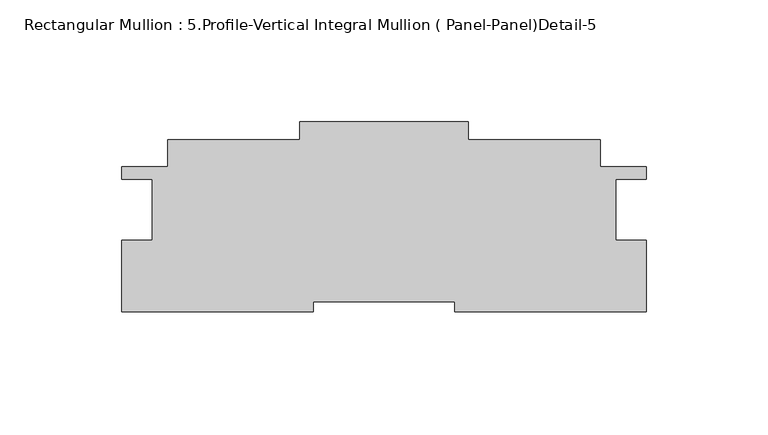
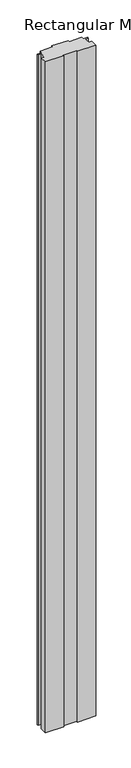
"""IFC4 building model written with IfcOpenShell, lengths in millimetres: member geometry, Rectangular Mullion : 5.Profile-Vertical Integral Mullion ( Panel-Panel)Detail-5."""

from ifc_helpers import new_model, si_unit, frame, origin, place, context, project, spatial, polyline, outline, extrude, source, transform, mapped, element, save


def rectangular_mullion_5_profile_vertical_integral_mullion_e2931e67(model_context):
    return source(origin(), model_context, "Body", "SweptSolid", [
        extrude(outline(polyline([(-0.0104712, -4.7554711), (-0.0104712, -34.0684717), (-78.9073846, -34.0684717), (-78.9073846, -30.0492708), (-137.0139894, -30.0492708), (-137.0139894, -34.0684717), (-215.9109028, -34.0684717), (-215.9109028, -4.7554711), (-203.2205108, -4.7554711), (-203.2205108, 20.4240169), (-215.921374, 20.4240169), (-215.921374, 25.6059691), (-196.8700792, 25.6059691), (-196.8700792, 36.6303184), (-142.662416, 36.6303184), (-142.662416, 44.1428171), (-73.2573881, 44.1428171), (-73.2573881, 36.6303184), (-19.0512948, 36.6303184), (-19.0512948, 25.6059691), (0.0, 25.6059691), (0.0, 20.3986152), (-12.7008632, 20.3986152), (-12.7008632, -4.7554711), (-0.0104712, -4.7554711)])), frame((0.0, 0.0, -3048.0), z_axis=(0.0, 0.0, 1.0), x_axis=(1.0, 0.0, 0.0)), (0.0, 0.0, 1.0), 3048.0),
    ])


if __name__ == "__main__":
    model = new_model("IFC4")
    model_context = context("Model", 3, world=origin())
    ifc_project = project(units=[si_unit("LENGTHUNIT", "METRE", prefix="MILLI")], contexts=[model_context])
    site = spatial("IfcSite", under=ifc_project)
    building = spatial("IfcBuilding", under=site)
    placement = place(None, origin())
    rectangular_mullion_5_profile_vertical_integral_mullion_shape = rectangular_mullion_5_profile_vertical_integral_mullion_e2931e67(model_context)
    element("IfcMember", 1, ObjectType="Rectangular Mullion : 5.Profile-Vertical Integral Mullion ( Panel-Panel)Detail-5", at=placement, inside=building, context=model_context, shape_type="MappedRepresentation", body=[
        mapped(rectangular_mullion_5_profile_vertical_integral_mullion_shape, transform((0.0, 0.0, 0.0), x_axis=(1.0, 0.0, 0.0), y_axis=(0.0, 1.0, 0.0), z_axis=(0.0, 0.0, 1.0))),
    ])
    save(model, "model.ifc")
